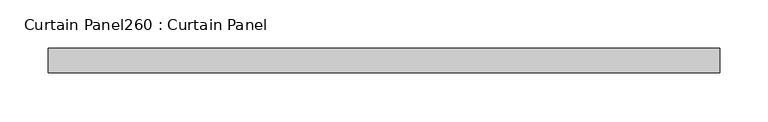
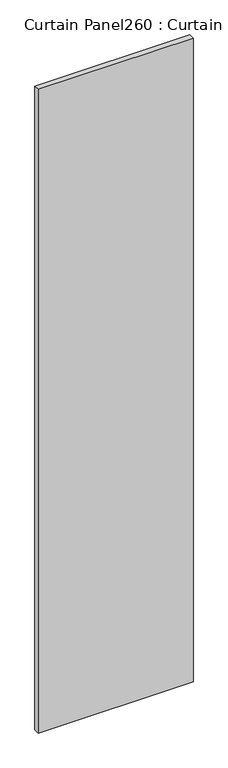
"""IFC4 building model written with IfcOpenShell, lengths in millimetres: plate geometry, Curtain Panel260 : Curtain Panel."""

from ifc_helpers import new_model, si_unit, frame, origin, place, context, project, spatial, polyline, outline, extrude, source, transform, mapped, element, save


def curtain_panel260_curtain_panel_5f079c76(model_context):
    return source(origin(), model_context, "Body", "SweptSolid", [
        extrude(outline(polyline([(573021.244172, 2949.0995813), (572327.3689525, 2949.0995813), (572327.3689525, 2974.4995813), (573021.244172, 2974.4995813), (573021.244172, 2949.0995813)])), frame((0.0, 0.0, 4959.7989371), z_axis=(0.0, 0.0, 1.0), x_axis=(1.0, 0.0, 0.0)), (0.0, 0.0, 1.0), 3048.0),
    ])


if __name__ == "__main__":
    model = new_model("IFC4")
    model_context = context("Model", 3, world=origin())
    ifc_project = project(units=[si_unit("LENGTHUNIT", "METRE", prefix="MILLI")], contexts=[model_context])
    site = spatial("IfcSite", under=ifc_project)
    building = spatial("IfcBuilding", under=site)
    placement = place(None, origin())
    curtain_panel260_curtain_panel_shape = curtain_panel260_curtain_panel_5f079c76(model_context)
    element("IfcPlate", 1, ObjectType="Curtain Panel260 : Curtain Panel", at=placement, inside=building, context=model_context, shape_type="MappedRepresentation", body=[
        mapped(curtain_panel260_curtain_panel_shape, transform((0.0, 0.0, 0.0), x_axis=(1.0, 0.0, 0.0), y_axis=(0.0, 1.0, 0.0), z_axis=(0.0, 0.0, 1.0))),
    ])
    save(model, "model.ifc")
